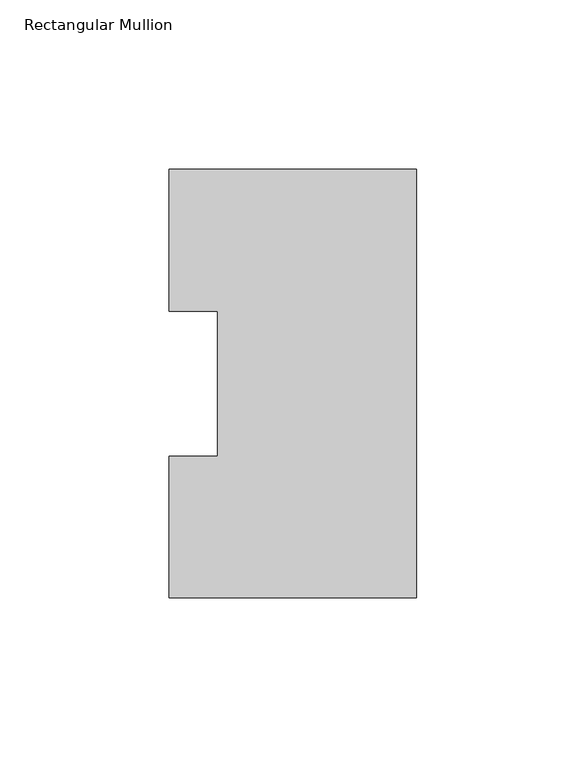
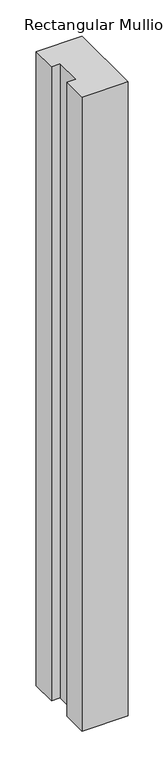
"""IFC4 building model written with IfcOpenShell, lengths in millimetres: member geometry, Rectangular Mullion."""

from ifc_helpers import new_model, si_unit, frame, origin, place, context, project, spatial, polyline, outline, extrude, source, transform, mapped, element, save


def rectangular_mullion_9de97e64(model_context):
    return source(origin(), model_context, "Body", "SweptSolid", [
        extrude(outline(polyline([(0.0, 126.4546937), (0.0, -0.0373063), (-73.025, -0.0373063), (-73.025, 41.7837937), (-58.7375, 41.7837937), (-58.7375, 84.6335938), (-73.025, 84.6335938), (-73.025, 126.4546937), (0.0, 126.4546937)])), frame((0.0, 0.0, -1066.5086938), z_axis=(0.0, 0.0, 1.0), x_axis=(1.0, 0.0, 0.0)), (0.0, 0.0, 1.0), 1066.5086938),
    ])


if __name__ == "__main__":
    model = new_model("IFC4")
    model_context = context("Model", 3, world=origin())
    ifc_project = project(units=[si_unit("LENGTHUNIT", "METRE", prefix="MILLI")], contexts=[model_context])
    site = spatial("IfcSite", under=ifc_project)
    building = spatial("IfcBuilding", under=site)
    placement = place(None, origin())
    rectangular_mullion_shape = rectangular_mullion_9de97e64(model_context)
    element("IfcMember", 1, ObjectType="Rectangular Mullion", at=placement, inside=building, context=model_context, shape_type="MappedRepresentation", body=[
        mapped(rectangular_mullion_shape, transform((0.0, 0.0, 0.0), x_axis=(1.0, 0.0, 0.0), y_axis=(0.0, 1.0, 0.0), z_axis=(0.0, 0.0, 1.0))),
    ])
    save(model, "model.ifc")
